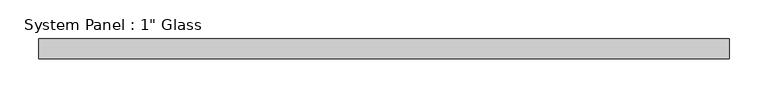
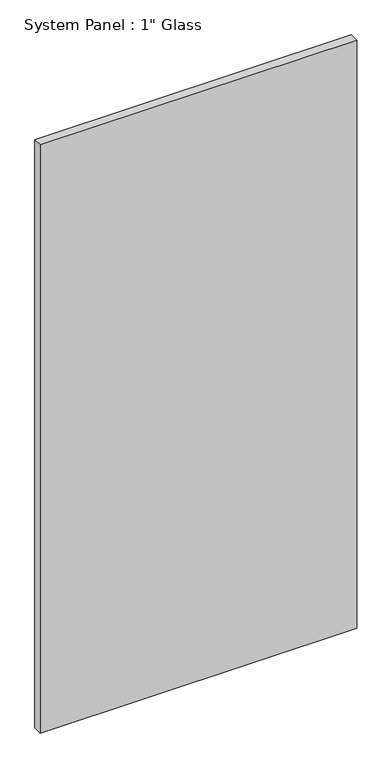
"""IFC4 building model written with IfcOpenShell, lengths in millimetres: plate geometry."""

from ifc_helpers import new_model, si_unit, origin, origin_with_axes, place, context, project, spatial, polyline, outline, extrude, source, transform, mapped, element, save


def plate_92a063f8(model_context):
    return source(origin(), model_context, "Body", "SweptSolid", [
        extrude(outline(polyline([(442.9125, -12.7), (-442.9125, -12.7), (-442.9125, 12.7), (442.9125, 12.7), (442.9125, -12.7)])), origin_with_axes(), (0.0, 0.0, 1.0), 1739.9),
    ])


if __name__ == "__main__":
    model = new_model("IFC4")
    model_context = context("Model", 3, world=origin())
    ifc_project = project(units=[si_unit("LENGTHUNIT", "METRE", prefix="MILLI")], contexts=[model_context])
    site = spatial("IfcSite", under=ifc_project)
    building = spatial("IfcBuilding", under=site)
    placement = place(None, origin())
    plate_shape = plate_92a063f8(model_context)
    element("IfcPlate", 1, ObjectType="System Panel : 1\" Glass", at=placement, inside=building, context=model_context, shape_type="MappedRepresentation", body=[
        mapped(plate_shape, transform((0.0, 0.0, 0.0), x_axis=(1.0, 0.0, 0.0), y_axis=(0.0, 1.0, 0.0), z_axis=(0.0, 0.0, 1.0))),
    ])
    save(model, "model.ifc")
